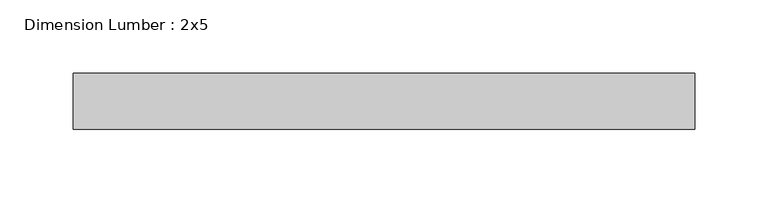
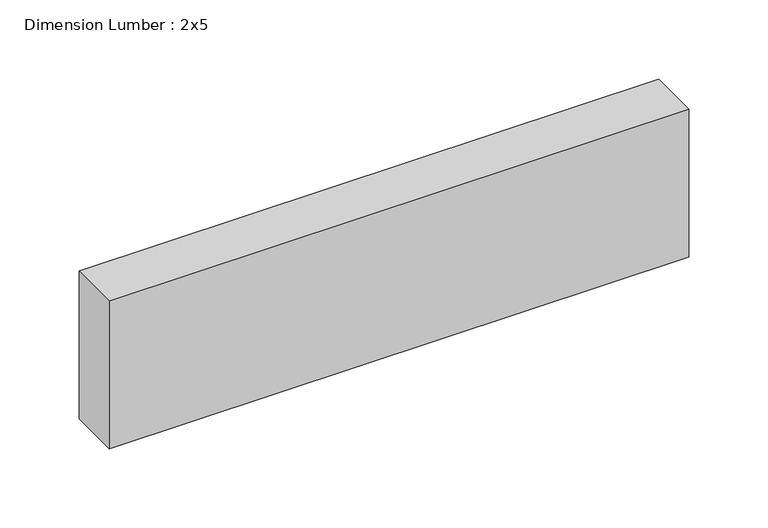
"""IFC4 building model written with IfcOpenShell, lengths in millimetres: beam geometry, Dimension Lumber : 2x5."""

from ifc_helpers import new_model, si_unit, frame, origin, place, context, project, spatial, polyline, outline, extrude, source, transform, mapped, element, save


def dimension_lumber_2x5_56100538(model_context):
    return source(origin(), model_context, "Body", "SweptSolid", [
        extrude(outline(polyline([(210.1375819, 19.05), (210.1375819, -19.05), (-212.8129286, -19.05), (-212.8129286, 19.05), (210.1375819, 19.05)])), frame((0.0, 0.0, -57.15), z_axis=(0.0, 0.0, 1.0), x_axis=(1.0, 0.0, 0.0)), (0.0, 0.0, 1.0), 114.3),
    ])


if __name__ == "__main__":
    model = new_model("IFC4")
    model_context = context("Model", 3, world=origin())
    ifc_project = project(units=[si_unit("LENGTHUNIT", "METRE", prefix="MILLI")], contexts=[model_context])
    site = spatial("IfcSite", under=ifc_project)
    building = spatial("IfcBuilding", under=site)
    placement = place(None, origin())
    dimension_lumber_2x5_shape = dimension_lumber_2x5_56100538(model_context)
    element("IfcBeam", 1, ObjectType="Dimension Lumber : 2x5", at=placement, inside=building, context=model_context, shape_type="MappedRepresentation", body=[
        mapped(dimension_lumber_2x5_shape, transform((0.0, 0.0, 0.0), x_axis=(1.0, 0.0, 0.0), y_axis=(0.0, 1.0, 0.0), z_axis=(0.0, 0.0, 1.0))),
    ])
    save(model, "model.ifc")
